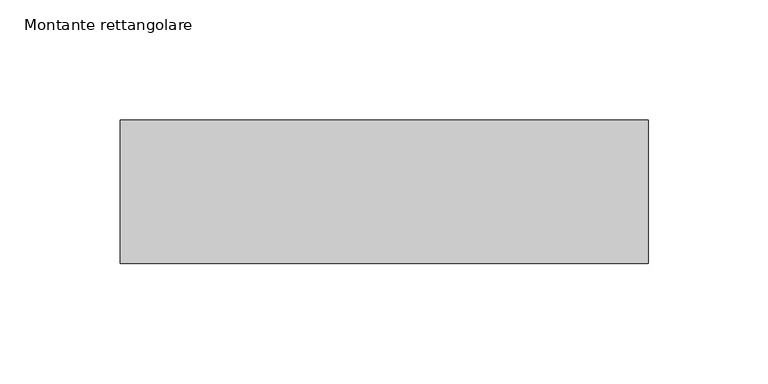
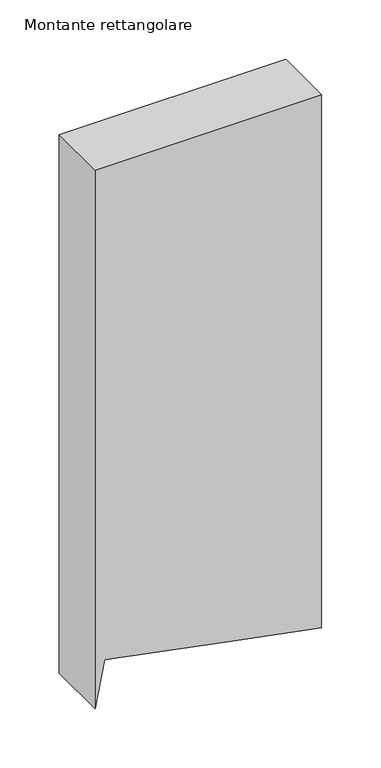
"""IFC4 building model written with IfcOpenShell, lengths in millimetres: member geometry, Montante rettangolare."""

from ifc_helpers import new_model, si_unit, frame, origin, place, context, project, spatial, polyline, outline, extrude, source, transform, mapped, element, save


def montante_rettangolare_d0120704(model_context):
    return source(origin(), model_context, "Body", "SweptSolid", [
        extrude(outline(polyline([(0.0, 110.0), (0.0, -110.0), (-552.3897112, -110.0), (-505.672533, -100.9191005), (-528.9981701, 19.0808995), (-546.6710529, 110.0), (0.0, 110.0)])), frame((0.0, -30.0, 0.0), z_axis=(0.0, 1.0, 0.0), x_axis=(0.0, 0.0, 1.0)), (0.0, 0.0, 1.0), 60.0),
    ])


if __name__ == "__main__":
    model = new_model("IFC4")
    model_context = context("Model", 3, world=origin())
    ifc_project = project(units=[si_unit("LENGTHUNIT", "METRE", prefix="MILLI")], contexts=[model_context])
    site = spatial("IfcSite", under=ifc_project)
    building = spatial("IfcBuilding", under=site)
    placement = place(None, origin())
    montante_rettangolare_shape = montante_rettangolare_d0120704(model_context)
    element("IfcMember", 1, ObjectType="Montante rettangolare", at=placement, inside=building, context=model_context, shape_type="MappedRepresentation", body=[
        mapped(montante_rettangolare_shape, transform((0.0, 0.0, 0.0), x_axis=(1.0, 0.0, 0.0), y_axis=(0.0, 1.0, 0.0), z_axis=(0.0, 0.0, 1.0))),
    ])
    save(model, "model.ifc")
